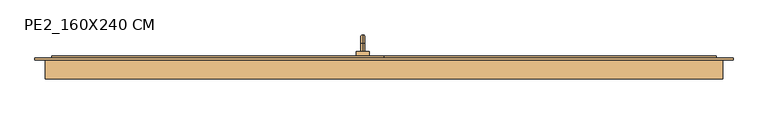
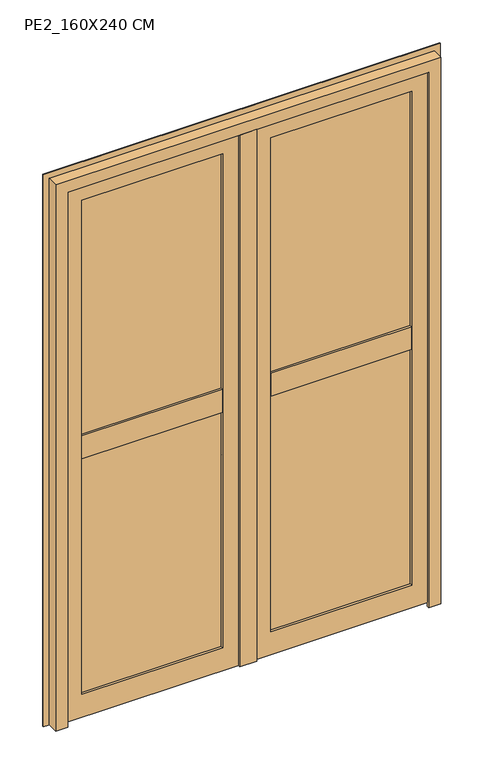
"""IFC4 building model written with IfcOpenShell, lengths in millimetres: door geometry, PE2_160X240 CM."""

import ifcopenshell
import ifcopenshell.guid

model = None  # the IFC model being written
_history = None  # IfcOwnerHistory: only IFC2X3 demands one
_inside = {}  # id of a spatial element -> (the spatial element, [elements in it])
_under = {}  # id of a project, library or spatial element -> (it, [spatial elements below it])
_declared = {}  # id of a project -> (the project, [libraries it declares])
_typed = {}  # id of a type object -> (the type object, [elements of that type])
_made_of = {}  # id of a material, layer set ... -> (it, [elements and type objects made of it])


def new_model(schema):
    """Start an empty IFC model of exactly this schema.

    Asked for "IFC4X3", IfcOpenShell would pick the latest addendum, in which some entities
    have other attributes; the version numbers below select the first issue.
    IFC2X3 requires an IfcOwnerHistory on every rooted entity: one is made here for all.
    """
    global model, _history
    if schema == "IFC4X3":
        model = ifcopenshell.file(schema_version=(4, 3, 0, 0))
    else:
        model = ifcopenshell.file(schema=schema)
    _inside.clear()
    _under.clear()
    _declared.clear()
    _typed.clear()
    _made_of.clear()
    _history = None
    if model.schema == "IFC2X3":
        org = make("IfcOrganization", Name="unknown")
        user = make(
            "IfcPersonAndOrganization",
            ThePerson=make("IfcPerson", FamilyName="unknown"),
            TheOrganization=org,
        )
        app = make(
            "IfcApplication",
            ApplicationDeveloper=org,
            Version="unknown",
            ApplicationFullName="unknown",
            ApplicationIdentifier="unknown",
        )
        _history = make(
            "IfcOwnerHistory",
            OwningUser=user,
            OwningApplication=app,
            ChangeAction="ADDED",
            CreationDate=0,
        )
    return model


def make(cls, **values):
    """One entity of the class cls with the attributes given. An attribute that is None is left unset."""
    return model.create_entity(
        cls, **{name: value for name, value in values.items() if value is not None}
    )


def rooted(cls, **values):
    """An entity with a GlobalId (a new one), such as an element, a storey or a relation."""
    return make(cls, GlobalId=ifcopenshell.guid.new(), OwnerHistory=_history, **values)


def si_unit(unit_type, name, prefix=None):
    """IfcSIUnit, for example si_unit("LENGTHUNIT", "METRE", prefix="MILLI")."""
    return make("IfcSIUnit", UnitType=unit_type, Prefix=prefix, Name=name)


def assignment(units):
    """IfcUnitAssignment: the units of a project."""
    return None if units is None else make("IfcUnitAssignment", Units=units)


def point(xyz):
    """IfcCartesianPoint."""
    return None if xyz is None else make("IfcCartesianPoint", Coordinates=xyz)


def direction(xyz):
    """IfcDirection."""
    return None if xyz is None else make("IfcDirection", DirectionRatios=xyz)


def frame(location, z_axis=None, x_axis=None):
    """IfcAxis2Placement3D, a coordinate frame: its origin and axes. An axis left out is left unset."""
    return make(
        "IfcAxis2Placement3D",
        Location=point(location),
        Axis=direction(z_axis),
        RefDirection=direction(x_axis),
    )


def origin():
    """The frame at (0, 0, 0) with its axes left unset."""
    return frame((0.0, 0.0, 0.0))


def place(relative_to, where):
    """IfcLocalPlacement: puts the frame where relative to a parent placement (None: the world)."""
    return make(
        "IfcLocalPlacement", PlacementRelTo=relative_to, RelativePlacement=where
    )


def context(
    kind, dimensions, precision=None, world=None, true_north=None, identifier=None
):
    """IfcGeometricRepresentationContext, for example the 3D "Model" context."""
    return make(
        "IfcGeometricRepresentationContext",
        ContextIdentifier=identifier,
        ContextType=kind,
        CoordinateSpaceDimension=dimensions,
        Precision=precision,
        WorldCoordinateSystem=world,
        TrueNorth=true_north,
    )


def project(units=None, contexts=None):
    """IfcProject with its units and contexts."""
    return rooted(
        "IfcProject",
        Name="project",
        RepresentationContexts=contexts,
        UnitsInContext=assignment(units),
    )


def spatial(cls, under=None, at=None, **own):
    """A site, building, storey or space (cls), placed at a placement, below another one or the project."""
    s = rooted(cls, ObjectPlacement=at, **own)
    if under is not None:
        _under.setdefault(under.id(), (under, []))[1].append(s)
    return s


def polyline(points):
    """IfcPolyline through the points."""
    return make("IfcPolyline", Points=[point(p) for p in points])


def circle_curve(where, radius):
    """IfcCircle in the frame where."""
    return make("IfcCircle", Position=where, Radius=radius)


def ellipse_curve(where, semi_axis1, semi_axis2):
    """IfcEllipse in the frame where."""
    return make(
        "IfcEllipse", Position=where, SemiAxis1=semi_axis1, SemiAxis2=semi_axis2
    )


def trimmed(basis, trim1, trim2, sense, master):
    """IfcTrimmedCurve: the piece of a basis curve between two trims."""
    return make(
        "IfcTrimmedCurve",
        BasisCurve=basis,
        Trim1=trim1,
        Trim2=trim2,
        SenseAgreement=sense,
        MasterRepresentation=master,
    )


def outline(outer, holes=None, kind="AREA"):
    """IfcArbitraryClosedProfileDef: a profile drawn as a closed curve; with holes, ...WithVoids."""
    if holes is None:
        return make("IfcArbitraryClosedProfileDef", ProfileType=kind, OuterCurve=outer)
    return make(
        "IfcArbitraryProfileDefWithVoids",
        ProfileType=kind,
        OuterCurve=outer,
        InnerCurves=holes,
    )


def extrude(swept, where, along, depth):
    """IfcExtrudedAreaSolid: the profile swept, set in the frame where, extruded along a direction by depth."""
    return make(
        "IfcExtrudedAreaSolid",
        SweptArea=swept,
        Position=where,
        ExtrudedDirection=direction(along),
        Depth=depth,
    )


def faces_of(points, faces, orient=None, outer=None):
    """IfcFace entities. A face is a list of loops; a loop is a list of indices into points, from 0.

    orient and outer hold one flag for each loop. By default every Orientation is true, the
    first loop of a face is its IfcFaceOuterBound and the others are IfcFaceBound.
    """
    made = []
    for i, loops in enumerate(faces):
        bounds = []
        for j, loop in enumerate(loops):
            is_outer = j == 0 if outer is None else outer[i][j]
            bounds.append(
                make(
                    "IfcFaceOuterBound" if is_outer else "IfcFaceBound",
                    Bound=make("IfcPolyLoop", Polygon=[points[k] for k in loop]),
                    Orientation=True if orient is None else orient[i][j],
                )
            )
        made.append(make("IfcFace", Bounds=bounds))
    return made


def faceted_brep(points, faces, orient=None, outer=None, voids=None):
    """IfcFacetedBrep: a solid bounded by flat faces; with voids (closed shells), ...WithVoids."""
    shared = [point(p) for p in points]
    hull = make("IfcClosedShell", CfsFaces=faces_of(shared, faces, orient, outer))
    if voids is None:
        return make("IfcFacetedBrep", Outer=hull)
    return make(
        "IfcFacetedBrepWithVoids",
        Outer=hull,
        Voids=[
            make(cls, CfsFaces=faces_of(shared, fs, o, b)) for cls, fs, o, b in voids
        ],
    )


def shape(context_of_items, identifier, shape_type, items):
    """IfcShapeRepresentation: the items that make up one representation, for example the "Body"."""
    return make(
        "IfcShapeRepresentation",
        ContextOfItems=context_of_items,
        RepresentationIdentifier=identifier,
        RepresentationType=shape_type,
        Items=items,
    )


def source(mapping_origin, context_of_items, identifier, shape_type, items):
    """IfcRepresentationMap: a shape defined once, which mapped items show again and again."""
    return make(
        "IfcRepresentationMap",
        MappingOrigin=mapping_origin,
        MappedRepresentation=shape(context_of_items, identifier, shape_type, items),
    )


def transform(
    local_origin,
    x_axis=None,
    y_axis=None,
    z_axis=None,
    scale=None,
    scale2=None,
    scale3=None,
    uniform=True,
):
    """IfcCartesianTransformationOperator3D, or its non-uniform kind. x_axis, y_axis, z_axis: its Axis1, 2, 3."""
    if uniform:
        return make(
            "IfcCartesianTransformationOperator3D",
            Axis1=direction(x_axis),
            Axis2=direction(y_axis),
            LocalOrigin=point(local_origin),
            Scale=scale,
            Axis3=direction(z_axis),
        )
    return make(
        "IfcCartesianTransformationOperator3DnonUniform",
        Axis1=direction(x_axis),
        Axis2=direction(y_axis),
        LocalOrigin=point(local_origin),
        Scale=scale,
        Axis3=direction(z_axis),
        Scale2=scale2,
        Scale3=scale3,
    )


def mapped(mapping_source, mapping_target):
    """IfcMappedItem: shows the shape of a source again, moved by a transform."""
    return make(
        "IfcMappedItem", MappingSource=mapping_source, MappingTarget=mapping_target
    )


def made_of(thing, what):
    """Note that an element or type object is made of a material, layer set ...; save() writes the relation."""
    if what is not None:
        _made_of.setdefault(what.id(), (what, []))[1].append(thing)
    return thing


def element(
    cls,
    number,
    at=None,
    inside=None,
    cuts=None,
    type_object=None,
    material=None,
    context=None,
    identifier="Body",
    shape_type=None,
    held_by="IfcProductDefinitionShape",
    body=None,
    shapes=None,
    **own,
):
    """One element of the class cls, such as IfcWall. Its Tag is "e" and its number.

    at: its placement. inside: the storey or other place that contains it. cuts: it is an
    opening in that element (IfcRelVoidsElement). A single representation is given by context,
    identifier, shape_type and body (its items); several are given by shapes. held_by: the class
    of the entity that holds the representations. save() writes the other relations.
    """
    e = rooted(cls, Tag="e%d" % number, ObjectPlacement=at, **own)
    if body is not None:
        shapes = [shape(context, identifier, shape_type, body)]
    if shapes is not None:
        e.Representation = make(held_by, Representations=shapes)
    if inside is not None:
        _inside.setdefault(inside.id(), (inside, []))[1].append(e)
    if cuts is not None:
        rooted(
            "IfcRelVoidsElement", RelatingBuildingElement=cuts, RelatedOpeningElement=e
        )
    if type_object is not None:
        _typed.setdefault(type_object.id(), (type_object, []))[1].append(e)
    return made_of(e, material)


def aggregate(whole, parts):
    """IfcRelAggregates: a whole, such as a stair, and the parts it consists of."""
    return rooted("IfcRelAggregates", RelatingObject=whole, RelatedObjects=parts)


def save(model, path):
    """Write the relations noted so far, then the file.

    IfcRelAggregates (storeys below a building ...), IfcRelContainedInSpatialStructure (elements
    in a storey), IfcRelDefinesByType, IfcRelAssociatesMaterial and IfcRelDeclares: one each for
    every whole, place, type object, material and project.
    """
    for whole, parts in _under.values():
        aggregate(whole, parts)
    for where, things in _inside.values():
        rooted(
            "IfcRelContainedInSpatialStructure",
            RelatedElements=things,
            RelatingStructure=where,
        )
    for kind, things in _typed.values():
        rooted("IfcRelDefinesByType", RelatedObjects=things, RelatingType=kind)
    for what, things in _made_of.values():
        rooted("IfcRelAssociatesMaterial", RelatedObjects=things, RelatingMaterial=what)
    for by, libraries in _declared.values():
        rooted("IfcRelDeclares", RelatingContext=by, RelatedDefinitions=libraries)
    model.write(path)


def plane_surface(at):
    """IfcPlane: the flat surface through the origin of the frame at, square to its z axis."""
    return make("IfcPlane", Position=at)


def cylinder_surface(at, radius):
    """IfcCylindricalSurface: all points at the distance radius from the z axis of the frame at."""
    return make("IfcCylindricalSurface", Position=at, Radius=radius)


def revolved_surface(curve, axis_point, axis_direction):
    """IfcSurfaceOfRevolution: the curve turned about the line through axis_point along axis_direction."""
    return make(
        "IfcSurfaceOfRevolution",
        SweptCurve=make("IfcArbitraryOpenProfileDef", ProfileType="CURVE", Curve=curve),
        AxisPosition=make("IfcAxis1Placement", Location=point(axis_point), Axis=direction(axis_direction)),
    )


def advanced_brep(points, edges, surfaces, faces):
    """IfcAdvancedBrep: a solid bounded by faces that lie on surfaces and meet in shared edges.

    An edge is (start, end): straight between two places in points (the first is 0);
    or (start, end, curve); or (start, end, curve, False) where it runs against its curve.
    A face is (place in surfaces, loops), or (place, loops, False) where it looks against
    its surface's normal. A loop lists edges by number (the first is 1), with a minus sign
    where the edge is run from its end to its start. The first loop is the outer one.
    """
    corners = [point(p) for p in points]
    vertices = [make("IfcVertexPoint", VertexGeometry=c) for c in corners]
    made = []
    for start, end, *more in edges:
        made.append(
            make(
                "IfcEdgeCurve",
                EdgeStart=vertices[start],
                EdgeEnd=vertices[end],
                EdgeGeometry=more[0] if more else make("IfcPolyline", Points=[corners[start], corners[end]]),
                SameSense=more[1] if len(more) > 1 else True,
            )
        )
    hull = []
    for where, loops, *sense in faces:
        bounds = []
        for j, loop in enumerate(loops):
            ring = [make("IfcOrientedEdge", EdgeElement=made[abs(k) - 1], Orientation=k > 0) for k in loop]
            bounds.append(
                make(
                    "IfcFaceOuterBound" if j == 0 else "IfcFaceBound",
                    Bound=make("IfcEdgeLoop", EdgeList=ring),
                    Orientation=True,
                )
            )
        hull.append(make("IfcAdvancedFace", Bounds=bounds, FaceSurface=surfaces[where], SameSense=sense[0] if sense else True))
    return make("IfcAdvancedBrep", Outer=make("IfcClosedShell", CfsFaces=hull))


def pe2_160x240_cm_de2ab16b(model_context):
    return source(origin(), model_context, "Body", "SolidModel", [
        advanced_brep(
        [(-50.0, 170.0, 905.0), (-50.0, 189.0, 905.0), (-50.0, 189.0, 895.0), (-50.0, 170.0, 895.0), (-50.0, 210.0, 884.0), (-50.0, 200.0, 884.0), (-50.0, 210.0, 805.0), (-50.0, 200.0, 805.0), (-65.0, 170.0, 930.0), (-35.0, 170.0, 930.0), (-35.0, 170.0, 870.0), (-65.0, 170.0, 870.0), (-65.0, 160.0, 930.0), (-65.0, 160.0, 870.0), (-35.0, 160.0, 870.0), (-35.0, 160.0, 930.0)],
        [
            (0, 1),
            (1, 2, circle_curve(frame((-50.0, 189.0, 900.0), z_axis=(0.0, -1.0, 0.0), x_axis=(0.0, 0.0, -1.0)), 5.0)),
            (2, 3),
            (3, 0, circle_curve(frame((-50.0, 170.0, 900.0), z_axis=(0.0, 1.0, 0.0), x_axis=(0.0, 0.0, -1.0)), 5.0)),
            (0, 3, circle_curve(frame((-50.0, 170.0, 900.0), z_axis=(0.0, 1.0, 0.0), x_axis=(0.0, 0.0, -1.0)), 5.0)),
            (2, 1, circle_curve(frame((-50.0, 189.0, 900.0), z_axis=(0.0, -1.0, 0.0), x_axis=(0.0, 0.0, -1.0)), 5.0)),
            (1, 4, circle_curve(frame((-50.0, 189.0, 884.0), z_axis=(-1.0, 0.0, 0.0), x_axis=(0.0, 0.0, 1.0)), 21.0)),
            (4, 5, circle_curve(frame((-50.0, 205.0, 884.0), z_axis=(0.0, 0.0, 1.0), x_axis=(0.0, -1.0, 0.0)), 5.0)),
            (5, 2, circle_curve(frame((-50.0, 189.0, 884.0), z_axis=(1.0, 0.0, 0.0), x_axis=(0.0, 0.0, 1.0)), 11.0)),
            (5, 4, circle_curve(frame((-50.0, 205.0, 884.0), z_axis=(0.0, 0.0, 1.0), x_axis=(0.0, -1.0, 0.0)), 5.0)),
            (6, 7, circle_curve(frame((-50.0, 205.0, 805.0), z_axis=(0.0, 0.0, -1.0), x_axis=(0.0, -1.0, 0.0)), 5.0)),
            (7, 6, circle_curve(frame((-50.0, 205.0, 805.0), z_axis=(0.0, 0.0, -1.0), x_axis=(0.0, -1.0, 0.0)), 5.0)),
            (4, 6),
            (7, 5),
            (8, 9),
            (9, 10),
            (10, 11),
            (11, 8),
            (12, 13),
            (13, 14),
            (14, 15),
            (15, 12),
            (8, 12),
            (15, 9),
            (14, 10),
            (13, 11),
        ],
        [
            cylinder_surface(frame((-50.0, 170.0, 900.0), z_axis=(0.0, -1.0, 0.0), x_axis=(0.0, 0.0, -1.0)), 5.0),
            revolved_surface(trimmed(ellipse_curve(frame((-50.0, 189.0, 900.0), z_axis=(0.0, -1.0, 0.0), x_axis=(0.0, 0.0, -1.0)), 5.0, 5.0), [point((-50.0, 189.0, 905.0))], [point((-50.0, 189.0, 895.0))], True, "CARTESIAN"), (-50.0, 189.0, 884.0), (-1.0, 0.0, 0.0)),
            revolved_surface(trimmed(ellipse_curve(frame((-50.0, 189.0, 900.0), z_axis=(0.0, -1.0, 0.0), x_axis=(0.0, 0.0, -1.0)), 5.0, 5.0), [point((-50.0, 189.0, 895.0))], [point((-50.0, 189.0, 905.0))], True, "CARTESIAN"), (-50.0, 189.0, 884.0), (-1.0, 0.0, 0.0)),
            plane_surface(frame((-50.0, 205.0, 805.0), z_axis=(0.0, 0.0, -1.0), x_axis=(-1.0, 0.0, 0.0))),
            cylinder_surface(frame((-50.0, 205.0, 884.0), z_axis=(0.0, 0.0, 1.0), x_axis=(0.0, -1.0, 0.0)), 5.0),
            plane_surface(frame((-35.0, 170.0, 930.0), z_axis=(0.0, 1.0, 0.0), x_axis=(1.0, 0.0, 0.0))),
            plane_surface(frame((-35.0, 160.0, 930.0), z_axis=(0.0, -1.0, 0.0), x_axis=(-1.0, 0.0, 0.0))),
            plane_surface(frame((-65.0, 170.0, 930.0), z_axis=(0.0, 0.0, 1.0), x_axis=(0.0, -1.0, 0.0))),
            plane_surface(frame((-35.0, 170.0, 930.0), z_axis=(1.0, 0.0, 0.0), x_axis=(0.0, -1.0, 0.0))),
            plane_surface(frame((-35.0, 170.0, 870.0), z_axis=(0.0, 0.0, -1.0), x_axis=(0.0, -1.0, 0.0))),
            plane_surface(frame((-65.0, 170.0, 870.0), z_axis=(-1.0, 0.0, 0.0), x_axis=(0.0, -1.0, 0.0))),
        ],
        [
            (0, [[1, 2, 3, 4]]),
            (0, [[-1, 5, -3, 6]]),
            (1, [[-2, 7, 8, 9]]),
            (2, [[-6, -9, 10, -7]]),
            (3, [[11, 12]]),
            (4, [[-8, 13, -12, 14]]),
            (4, [[-10, -14, -11, -13]]),
            (5, [[15, 16, 17, 18], [-4, -5]]),
            (6, [[19, 20, 21, 22]]),
            (7, [[-15, 23, -22, 24]]),
            (8, [[-16, -24, -21, 25]]),
            (9, [[-17, -25, -20, 26]]),
            (10, [[-18, -26, -19, -23]]),
        ],
    ),
        extrude(outline(polyline([(150.0, 22.0), (150.0, 7.0), (145.0, 7.0), (145.0, 12.0), (130.0, 12.0), (130.0, 7.0), (125.0, 7.0), (125.0, 22.0), (150.0, 22.0)])), frame((0.0, 0.0, 0.0), z_axis=(1.0, 0.0, 0.0), x_axis=(0.0, 1.0, 0.0)), (0.0, 0.0, 1.0), 785.0),
        extrude(outline(polyline([(150.0, 22.0), (150.0, 7.0), (145.0, 7.0), (145.0, 12.0), (130.0, 12.0), (130.0, 7.0), (125.0, 7.0), (125.0, 22.0), (150.0, 22.0)])), frame((-785.0, 0.0, 0.0), z_axis=(1.0, 0.0, 0.0), x_axis=(0.0, 1.0, 0.0)), (0.0, 0.0, 1.0), 785.0),
        faceted_brep([(0.0, 115.0, 40.0), (0.0, 125.0, 40.0), (0.0, 125.0, 15.0), (0.0, 115.0, 15.0), (785.0, 115.0, 40.0), (785.0, 115.0, 15.0), (785.0, 125.0, 15.0), (785.0, 125.0, 40.0), (25.0, 115.0, 40.0), (25.0, 125.0, 40.0), (760.0, 125.0, 40.0), (760.0, 115.0, 40.0), (760.0, 115.0, 2360.0), (25.0, 115.0, 2360.0), (100.0, 115.0, 2285.0), (685.0, 115.0, 2285.0), (685.0, 115.0, 115.0), (100.0, 115.0, 115.0), (785.0, 150.0, 2385.0), (785.0, 160.0, 2385.0), (0.0, 160.0, 2385.0), (0.0, 150.0, 2385.0), (710.0, 160.0, 2310.0), (710.0, 125.0, 2310.0), (75.0, 125.0, 2310.0), (75.0, 160.0, 2310.0), (685.0, 125.0, 2285.0), (100.0, 125.0, 2285.0), (760.0, 150.0, 2360.0), (25.0, 150.0, 2360.0), (0.0, 160.0, 15.0), (0.0, 150.0, 15.0), (75.0, 125.0, 90.0), (75.0, 160.0, 90.0), (100.0, 125.0, 115.0), (25.0, 150.0, 40.0), (785.0, 160.0, 15.0), (785.0, 150.0, 15.0), (710.0, 125.0, 90.0), (710.0, 160.0, 90.0), (685.0, 125.0, 115.0), (760.0, 150.0, 40.0)], [[[0, 1, 2, 3]], [[4, 5, 6, 7]], [[1, 0, 8, 9]], [[4, 7, 10, 11]], [[2, 1, 9, 10, 7, 6]], [[3, 2, 6, 5]], [[0, 3, 5, 4, 11, 12, 13, 8], [14, 15, 16, 17]], [[18, 19, 20, 21]], [[22, 23, 24, 25]], [[26, 15, 14, 27]], [[12, 28, 29, 13]], [[21, 20, 30, 31]], [[25, 24, 32, 33]], [[27, 14, 17, 34]], [[13, 29, 35, 9, 8]], [[31, 30, 36, 37]], [[33, 32, 38, 39]], [[34, 17, 16, 40]], [[35, 41, 10, 9]], [[19, 18, 37, 36]], [[20, 19, 36, 30], [22, 25, 33, 39]], [[23, 22, 39, 38]], [[24, 23, 38, 32], [26, 27, 34, 40]], [[15, 26, 40, 16]], [[28, 12, 11, 10, 41]], [[18, 21, 31, 37], [29, 28, 41, 35]]]),
        faceted_brep([(-785.0, 160.0, 2385.0), (-785.0, 150.0, 2385.0), (0.0, 150.0, 2385.0), (0.0, 160.0, 2385.0), (-710.0, 125.0, 2310.0), (-710.0, 160.0, 2310.0), (-75.0, 160.0, 2310.0), (-75.0, 125.0, 2310.0), (-685.0, 115.0, 2285.0), (-685.0, 125.0, 2285.0), (-100.0, 125.0, 2285.0), (-100.0, 115.0, 2285.0), (-760.0, 150.0, 2360.0), (-760.0, 115.0, 2360.0), (-25.0, 115.0, 2360.0), (-25.0, 150.0, 2360.0), (0.0, 150.0, 15.0), (0.0, 160.0, 15.0), (-75.0, 160.0, 90.0), (-75.0, 125.0, 90.0), (-100.0, 125.0, 115.0), (-100.0, 115.0, 115.0), (-25.0, 115.0, 40.0), (-25.0, 125.0, 40.0), (-25.0, 150.0, 40.0), (-785.0, 150.0, 15.0), (-785.0, 160.0, 15.0), (-710.0, 160.0, 90.0), (-710.0, 125.0, 90.0), (-685.0, 125.0, 115.0), (-685.0, 115.0, 115.0), (-760.0, 150.0, 40.0), (-760.0, 125.0, 40.0), (-760.0, 115.0, 40.0), (-785.0, 115.0, 40.0), (-785.0, 115.0, 15.0), (0.0, 115.0, 15.0), (0.0, 115.0, 40.0), (0.0, 125.0, 15.0), (0.0, 125.0, 40.0), (-785.0, 125.0, 40.0), (-785.0, 125.0, 15.0)], [[[0, 1, 2, 3]], [[4, 5, 6, 7]], [[8, 9, 10, 11]], [[12, 13, 14, 15]], [[3, 2, 16, 17]], [[7, 6, 18, 19]], [[11, 10, 20, 21]], [[15, 14, 22, 23, 24]], [[17, 16, 25, 26]], [[19, 18, 27, 28]], [[21, 20, 29, 30]], [[31, 24, 23, 32]], [[1, 0, 26, 25]], [[0, 3, 17, 26], [6, 5, 27, 18]], [[5, 4, 28, 27]], [[4, 7, 19, 28], [10, 9, 29, 20]], [[9, 8, 30, 29]], [[14, 13, 33, 34, 35, 36, 37, 22], [8, 11, 21, 30]], [[13, 12, 31, 32, 33]], [[2, 1, 25, 16], [12, 15, 24, 31]], [[37, 36, 38, 39]], [[34, 40, 41, 35]], [[37, 39, 23, 22]], [[40, 34, 33, 32]], [[39, 38, 41, 40, 32, 23]], [[38, 36, 35, 41]]]),
        extrude(outline(polyline([(85.0, 125.0), (85.0, 139.0), (700.0, 139.0), (700.0, 125.0), (85.0, 125.0)])), frame((0.0, 0.0, 1235.0), z_axis=(0.0, 0.0, 1.0), x_axis=(1.0, 0.0, 0.0)), (0.0, 0.0, 1.0), 1065.0),
        extrude(outline(polyline([(85.0, 125.0), (85.0, 139.0), (700.0, 139.0), (700.0, 125.0), (85.0, 125.0)])), frame((0.0, 0.0, 100.0), z_axis=(0.0, 0.0, 1.0), x_axis=(1.0, 0.0, 0.0)), (0.0, 0.0, 1.0), 1065.0),
        extrude(outline(polyline([(-700.0, 125.0), (-700.0, 139.0), (-85.0, 139.0), (-85.0, 125.0), (-700.0, 125.0)])), frame((0.0, 0.0, 1235.0), z_axis=(0.0, 0.0, 1.0), x_axis=(1.0, 0.0, 0.0)), (0.0, 0.0, 1.0), 1065.0),
        extrude(outline(polyline([(-700.0, 125.0), (-700.0, 139.0), (-85.0, 139.0), (-85.0, 125.0), (-700.0, 125.0)])), frame((0.0, 0.0, 100.0), z_axis=(0.0, 0.0, 1.0), x_axis=(1.0, 0.0, 0.0)), (0.0, 0.0, 1.0), 1065.0),
        extrude(outline(polyline([(125.0, 1175.0), (125.0, 1150.0), (115.0, 1150.0), (115.0, 1250.0), (125.0, 1250.0), (125.0, 1225.0), (160.0, 1225.0), (160.0, 1175.0), (125.0, 1175.0)])), frame((100.0, 0.0, 0.0), z_axis=(1.0, 0.0, 0.0), x_axis=(0.0, 1.0, 0.0)), (0.0, 0.0, 1.0), 585.0),
        extrude(outline(polyline([(125.0, 1225.0), (160.0, 1225.0), (160.0, 1175.0), (125.0, 1175.0), (125.0, 1150.0), (115.0, 1150.0), (115.0, 1250.0), (125.0, 1250.0), (125.0, 1225.0)])), frame((-685.0, 0.0, 0.0), z_axis=(1.0, 0.0, 0.0), x_axis=(0.0, 1.0, 0.0)), (0.0, 0.0, 1.0), 585.0),
        extrude(outline(polyline([(-685.0, 139.0), (-685.0, 160.0), (-100.0, 160.0), (-100.0, 139.0), (-685.0, 139.0)])), frame((0.0, 0.0, 1225.0), z_axis=(0.0, 0.0, 1.0), x_axis=(1.0, 0.0, 0.0)), (0.0, 0.0, 1.0), 25.0),
        extrude(outline(polyline([(-685.0, 139.0), (-685.0, 160.0), (-100.0, 160.0), (-100.0, 139.0), (-685.0, 139.0)])), frame((0.0, 0.0, 1150.0), z_axis=(0.0, 0.0, 1.0), x_axis=(1.0, 0.0, 0.0)), (0.0, 0.0, 1.0), 25.0),
        extrude(outline(polyline([(100.0, 139.0), (100.0, 160.0), (685.0, 160.0), (685.0, 139.0), (100.0, 139.0)])), frame((0.0, 0.0, 1225.0), z_axis=(0.0, 0.0, 1.0), x_axis=(1.0, 0.0, 0.0)), (0.0, 0.0, 1.0), 25.0),
        extrude(outline(polyline([(100.0, 139.0), (100.0, 160.0), (685.0, 160.0), (685.0, 139.0), (100.0, 139.0)])), frame((0.0, 0.0, 1150.0), z_axis=(0.0, 0.0, 1.0), x_axis=(1.0, 0.0, 0.0)), (0.0, 0.0, 1.0), 25.0),
        extrude(outline(polyline([(2310.0, 75.0), (90.0, 75.0), (90.0, 710.0), (2310.0, 710.0), (2310.0, 75.0)]), holes=[polyline([(2285.0, 685.0), (115.0, 685.0), (115.0, 100.0), (2285.0, 100.0), (2285.0, 685.0)])]), frame((0.0, 139.0, 0.0), z_axis=(0.0, 1.0, 0.0), x_axis=(0.0, 0.0, 1.0)), (0.0, 0.0, 1.0), 21.0),
        faceted_brep([(25.0, 150.0, 2385.0), (-10.0, 150.0, 2385.0), (-10.0, 115.0, 2385.0), (25.0, 115.0, 2385.0), (25.0, 150.0, 15.0), (-10.0, 150.0, 15.0), (-10.0, 115.0, 15.0), (-10.0, 115.0, 2350.0), (25.0, 115.0, 2350.0), (25.0, 115.0, 15.0), (35.0, 105.0, 2350.0), (35.0, 115.0, 2350.0), (-35.0, 115.0, 2350.0), (-35.0, 105.0, 2350.0), (35.0, 105.0, 15.0), (-35.0, 105.0, 15.0), (-35.0, 115.0, 15.0), (35.0, 115.0, 15.0)], [[[0, 1, 2, 3]], [[1, 0, 4, 5]], [[2, 1, 5, 6, 7]], [[3, 2, 7, 8]], [[4, 0, 3, 8, 9]], [[10, 11, 8, 7, 12, 13]], [[14, 15, 16, 6, 5, 4, 9, 17]], [[11, 10, 14, 17]], [[8, 11, 17, 9]], [[12, 7, 6, 16]], [[13, 12, 16, 15]], [[10, 13, 15, 14]]]),
        extrude(outline(polyline([(2310.0, -710.0), (90.0, -710.0), (90.0, -75.0), (2310.0, -75.0), (2310.0, -710.0)]), holes=[polyline([(2285.0, -100.0), (115.0, -100.0), (115.0, -685.0), (2285.0, -685.0), (2285.0, -100.0)])]), frame((0.0, 139.0, 0.0), z_axis=(0.0, 1.0, 0.0), x_axis=(0.0, 0.0, 1.0)), (0.0, 0.0, 1.0), 21.0),
        faceted_brep([(-800.0, 105.0, 0.0), (-800.0, 150.0, 0.0), (-775.0, 150.0, 0.0), (-775.0, 115.0, 0.0), (-750.0, 115.0, 0.0), (-750.0, 105.0, 0.0), (-800.0, 150.0, 2400.0), (-800.0, 105.0, 2400.0), (800.0, 105.0, 2400.0), (800.0, 150.0, 2400.0), (-775.0, 115.0, 2375.0), (-775.0, 150.0, 2375.0), (775.0, 150.0, 2375.0), (775.0, 115.0, 2375.0), (-750.0, 105.0, 2350.0), (-750.0, 115.0, 2350.0), (750.0, 115.0, 2350.0), (750.0, 105.0, 2350.0), (800.0, 105.0, 0.0), (800.0, 150.0, 0.0), (775.0, 150.0, 0.0), (775.0, 115.0, 0.0), (750.0, 115.0, 0.0), (750.0, 105.0, 0.0)], [[[0, 1, 2, 3, 4, 5]], [[6, 7, 8, 9]], [[10, 11, 12, 13]], [[14, 15, 16, 17]], [[9, 8, 18, 19]], [[13, 12, 20, 21]], [[17, 16, 22, 23]], [[18, 23, 22, 21, 20, 19]], [[1, 0, 7, 6]], [[2, 1, 6, 9, 19, 20, 12, 11]], [[3, 2, 11, 10]], [[4, 3, 10, 13, 21, 22, 16, 15]], [[5, 4, 15, 14]], [[0, 5, 14, 17, 23, 18, 8, 7]]]),
        extrude(outline(polyline([(0.0, -825.0), (0.0, -790.0), (2390.0, -790.0), (2390.0, 790.0), (0.0, 790.0), (0.0, 825.0), (2425.0, 825.0), (2425.0, -825.0), (0.0, -825.0)])), frame((0.0, 150.0, 0.0), z_axis=(0.0, 1.0, 0.0), x_axis=(0.0, 0.0, 1.0)), (0.0, 0.0, 1.0), 5.0),
    ])


if __name__ == "__main__":
    model = new_model("IFC4")
    model_context = context("Model", 3, world=origin())
    ifc_project = project(units=[si_unit("LENGTHUNIT", "METRE", prefix="MILLI")], contexts=[model_context])
    site = spatial("IfcSite", under=ifc_project)
    building = spatial("IfcBuilding", under=site)
    placement = place(None, origin())
    pe2_160x240_cm_shape = pe2_160x240_cm_de2ab16b(model_context)
    element("IfcDoor", 1, ObjectType="PE2_160X240 CM", at=placement, inside=building, context=model_context, shape_type="MappedRepresentation", body=[
        mapped(pe2_160x240_cm_shape, transform((0.0, 0.0, 0.0), x_axis=(1.0, 0.0, 0.0), y_axis=(0.0, 1.0, 0.0), z_axis=(0.0, 0.0, 1.0))),
    ])
    save(model, "model.ifc")
